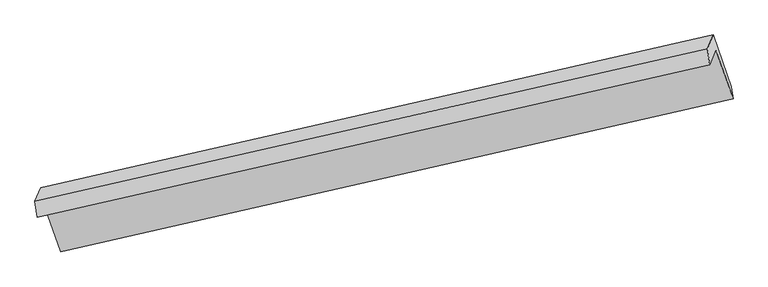
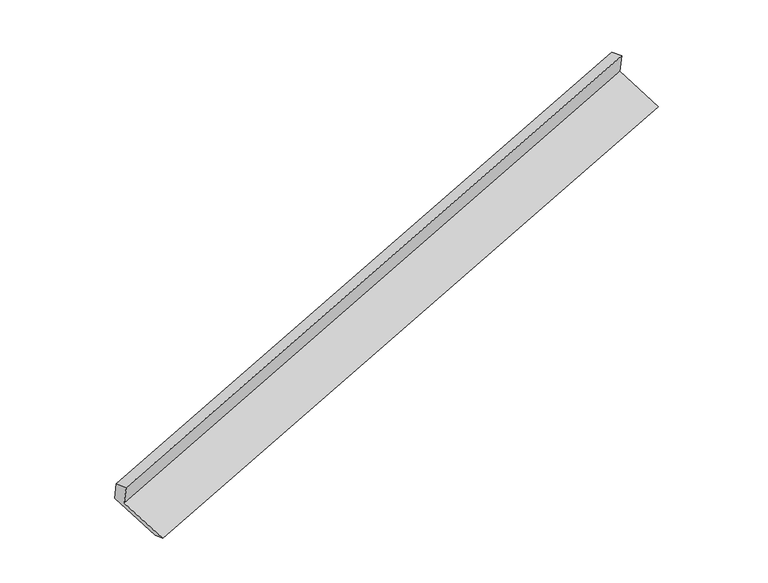
"""IFC4 building model written with IfcOpenShell, lengths in millimetres: proxy geometry."""

from ifc_helpers import new_model, si_unit, origin, place, context, project, spatial, faceted_brep, source, transform, mapped, element, save


def generic_models_a7f87463(model_context):
    return source(origin(), model_context, "Body", "Brep", [
        faceted_brep([(-7420.9091855, -2525.027198, 916.4953541), (-7339.0240067, -2329.1201252, 514.156966), (1549.6218384, -308.2433341, 3290.249179), (1467.7366597, -504.1504069, 3692.5875672), (-7450.4321167, -2313.6223794, 860.8337538), (1438.2137285, -292.7455883, 3636.9259668), (-7375.2401845, -2133.7286359, 491.3822697), (1513.4056607, -112.8518448, 3267.4744827), (-7135.0145723, -2818.0263814, 207.0746958), (1753.6312729, -797.1495903, 2983.1669088), (-7111.4330509, -2977.4272585, 244.8025373), (1777.2127943, -956.5504674, 3020.8947504)], [[[0, 1, 2, 3]], [[4, 0, 3, 5]], [[6, 4, 5, 7]], [[8, 6, 7, 9]], [[10, 8, 9, 11]], [[1, 10, 11, 2]], [[9, 7, 5, 3, 2, 11]], [[1, 0, 4, 6, 8, 10]]]),
    ])


if __name__ == "__main__":
    model = new_model("IFC4")
    model_context = context("Model", 3, world=origin())
    ifc_project = project(units=[si_unit("LENGTHUNIT", "METRE", prefix="MILLI")], contexts=[model_context])
    site = spatial("IfcSite", under=ifc_project)
    building = spatial("IfcBuilding", under=site)
    placement = place(None, origin())
    generic_models_shape = generic_models_a7f87463(model_context)
    element("IfcBuildingElementProxy", 1, Name="Generic Models", at=placement, inside=building, context=model_context, shape_type="MappedRepresentation", body=[
        mapped(generic_models_shape, transform((0.0, 0.0, 0.0), x_axis=(1.0, 0.0, 0.0), y_axis=(0.0, 1.0, 0.0), z_axis=(0.0, 0.0, 1.0))),
    ])
    save(model, "model.ifc")
